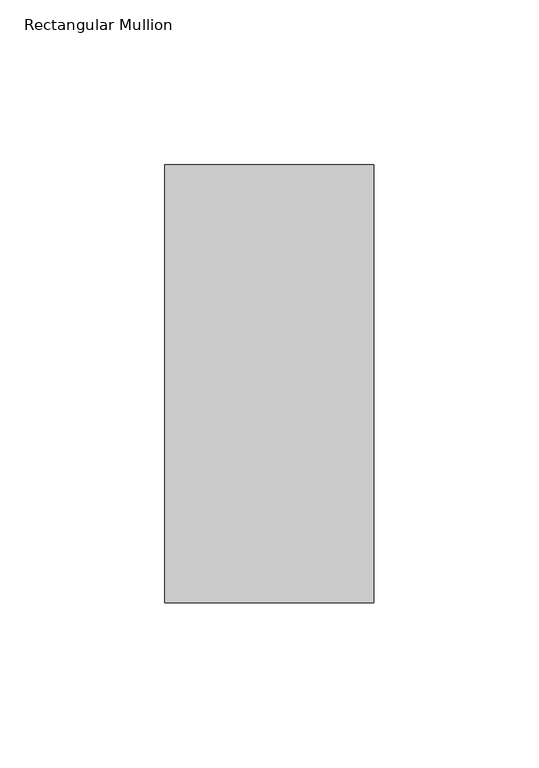
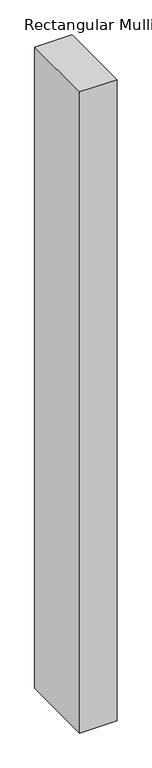
"""IFC4 building model written with IfcOpenShell, lengths in millimetres: member geometry, Rectangular Mullion."""

from ifc_helpers import new_model, si_unit, frame, origin, place, context, project, spatial, polyline, outline, extrude, source, transform, mapped, element, save


def rectangular_mullion_cac91921(model_context):
    return source(origin(), model_context, "Body", "SweptSolid", [
        extrude(outline(polyline([(31.75, 190.0936), (31.75, 57.15), (-31.75, 57.15), (-31.75, 190.0936), (31.75, 190.0936)])), frame((0.0, 0.0, -1155.6999995), z_axis=(0.0, 0.0, 1.0), x_axis=(1.0, 0.0, 0.0)), (0.0, 0.0, 1.0), 1155.6999995),
    ])


if __name__ == "__main__":
    model = new_model("IFC4")
    model_context = context("Model", 3, world=origin())
    ifc_project = project(units=[si_unit("LENGTHUNIT", "METRE", prefix="MILLI")], contexts=[model_context])
    site = spatial("IfcSite", under=ifc_project)
    building = spatial("IfcBuilding", under=site)
    placement = place(None, origin())
    rectangular_mullion_shape = rectangular_mullion_cac91921(model_context)
    element("IfcMember", 1, ObjectType="Rectangular Mullion", at=placement, inside=building, context=model_context, shape_type="MappedRepresentation", body=[
        mapped(rectangular_mullion_shape, transform((0.0, 0.0, 0.0), x_axis=(1.0, 0.0, 0.0), y_axis=(0.0, 1.0, 0.0), z_axis=(0.0, 0.0, 1.0))),
    ])
    save(model, "model.ifc")
